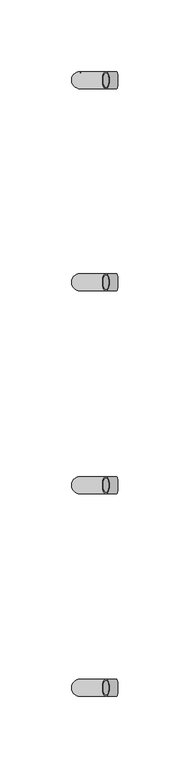
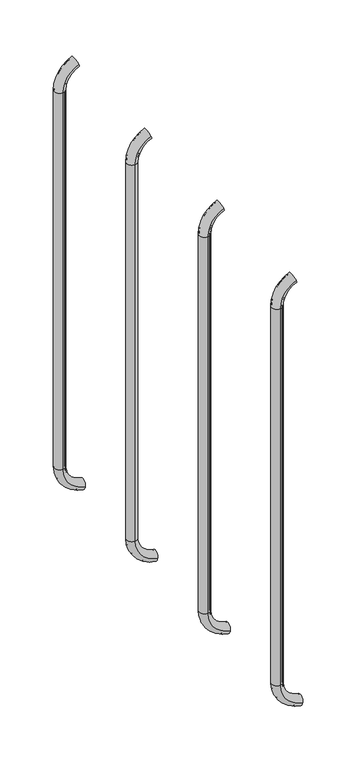
"""IFC4 building model written with IfcOpenShell, lengths in millimetres: beam geometry."""

from ifc_helpers import new_model, si_unit, point, frame, origin, place, context, project, spatial, polyline, circle_curve, ellipse_curve, trimmed, source, transform, mapped, element, save
from ifc_brep_helpers import plane_surface, cylinder_surface, revolved_surface, advanced_brep


def beam_fa1bee13(model_context):
    return source(origin(), model_context, "Body", "AdvancedBrep", [
        advanced_brep(
        [(1262.5106051, 2408.5765736, 1917.1908893), (1262.5106051, 2396.5765736, 1917.1908893), (1262.5106051, 2407.5765736, 1917.1908893), (1262.5106051, 2397.5765736, 1917.1908893), (1244.4339882, 2397.5765736, 1889.6621238), (1244.4339882, 2407.5765736, 1889.6621238), (1244.4339882, 2396.5765736, 1889.6621238), (1244.4339882, 2408.5765736, 1889.6621238), (1244.4339882, 2407.5765736, 1440.7084898), (1244.4339882, 2397.5765736, 1440.7084898), (1244.4339882, 2408.5765736, 1440.7084898), (1244.4339882, 2396.5765736, 1440.7084898), (1270.0535643, 2408.5765736, 1411.0300146), (1270.0535643, 2396.5765736, 1411.0300146), (1270.0535643, 2407.5765736, 1411.0300146), (1270.0535643, 2397.5765736, 1411.0300146)],
        [
            (0, 1, circle_curve(frame((1262.5106051, 2402.5765736, 1917.1908893), z_axis=(0.9176255197351176, 0.0, 0.3974461039321624), x_axis=(0.0, -1.0, 0.0)), 6.0)),
            (1, 0, circle_curve(frame((1262.5106051, 2402.5765736, 1917.1908893), z_axis=(0.9176255197351176, 0.0, 0.3974461039321624), x_axis=(0.0, -1.0, 0.0)), 6.0)),
            (2, 3, circle_curve(frame((1262.5106051, 2402.5765736, 1917.1908893), z_axis=(-0.9176255197351176, 0.0, -0.3974461039321624), x_axis=(0.0, -1.0, 0.0)), 5.0)),
            (3, 2, circle_curve(frame((1262.5106051, 2402.5765736, 1917.1908893), z_axis=(-0.9176255197351176, 0.0, -0.3974461039321624), x_axis=(0.0, -1.0, 0.0)), 5.0)),
            (4, 3, circle_curve(frame((1274.4339882, 2397.5765736, 1889.6621238), z_axis=(0.0, 1.0, 0.0), x_axis=(-0.3974461039321624, 0.0, 0.9176255197351176)), 30.0)),
            (2, 5, circle_curve(frame((1274.4339882, 2407.5765736, 1889.6621238), z_axis=(0.0, -1.0, 0.0), x_axis=(-0.3974461039321624, 0.0, 0.9176255197351176)), 30.0)),
            (5, 4, circle_curve(frame((1244.4339882, 2402.5765736, 1889.6621238), z_axis=(0.0, 0.0, -1.0), x_axis=(0.0, -1.0, 0.0)), 5.0)),
            (4, 5, circle_curve(frame((1244.4339882, 2402.5765736, 1889.6621238), z_axis=(0.0, 0.0, -1.0), x_axis=(0.0, -1.0, 0.0)), 5.0)),
            (6, 1, circle_curve(frame((1274.4339882, 2396.5765736, 1889.6621238), z_axis=(0.0, 1.0, 0.0), x_axis=(-0.3974461039321624, 0.0, 0.9176255197351176)), 30.0)),
            (0, 7, circle_curve(frame((1274.4339882, 2408.5765736, 1889.6621238), z_axis=(0.0, -1.0, 0.0), x_axis=(-0.3974461039321624, 0.0, 0.9176255197351176)), 30.0)),
            (7, 6, circle_curve(frame((1244.4339882, 2402.5765736, 1889.6621238), z_axis=(0.0, 0.0, 1.0), x_axis=(0.0, -1.0, 0.0)), 6.0)),
            (6, 7, circle_curve(frame((1244.4339882, 2402.5765736, 1889.6621238), z_axis=(0.0, 0.0, 1.0), x_axis=(0.0, -1.0, 0.0)), 6.0)),
            (5, 8),
            (8, 9, circle_curve(frame((1244.4339882, 2402.5765736, 1440.7084898), z_axis=(0.0, 0.0, -1.0), x_axis=(0.0, -1.0, 0.0)), 5.0)),
            (9, 4),
            (9, 8, circle_curve(frame((1244.4339882, 2402.5765736, 1440.7084898), z_axis=(0.0, 0.0, -1.0), x_axis=(0.0, -1.0, 0.0)), 5.0)),
            (7, 10),
            (10, 11, circle_curve(frame((1244.4339882, 2402.5765736, 1440.7084898), z_axis=(0.0, 0.0, 1.0), x_axis=(0.0, -1.0, 0.0)), 6.0)),
            (11, 6),
            (11, 10, circle_curve(frame((1244.4339882, 2402.5765736, 1440.7084898), z_axis=(0.0, 0.0, 1.0), x_axis=(0.0, -1.0, 0.0)), 6.0)),
            (12, 13, circle_curve(frame((1270.0535643, 2402.5765736, 1411.0300146), z_axis=(0.9892825047438852, 0.0, -0.14601412879466394), x_axis=(0.0, -1.0, 0.0)), 6.0)),
            (13, 12, circle_curve(frame((1270.0535643, 2402.5765736, 1411.0300146), z_axis=(0.9892825047438852, 0.0, -0.14601412879466394), x_axis=(0.0, -1.0, 0.0)), 6.0)),
            (14, 15, circle_curve(frame((1270.0535643, 2402.5765736, 1411.0300146), z_axis=(-0.9892825047438852, 0.0, 0.14601412879466394), x_axis=(0.0, -1.0, 0.0)), 5.0)),
            (15, 14, circle_curve(frame((1270.0535643, 2402.5765736, 1411.0300146), z_axis=(-0.9892825047438852, 0.0, 0.14601412879466394), x_axis=(0.0, -1.0, 0.0)), 5.0)),
            (15, 9, circle_curve(frame((1274.4339882, 2397.5765736, 1440.7084898), z_axis=(0.0, 1.0, 0.0), x_axis=(-1.0, 0.0, 0.0)), 30.0)),
            (8, 14, circle_curve(frame((1274.4339882, 2407.5765736, 1440.7084898), z_axis=(0.0, -1.0, 0.0), x_axis=(-1.0, 0.0, 0.0)), 30.0)),
            (13, 11, circle_curve(frame((1274.4339882, 2396.5765736, 1440.7084898), z_axis=(0.0, 1.0, 0.0), x_axis=(-1.0, 0.0, 0.0)), 30.0)),
            (10, 12, circle_curve(frame((1274.4339882, 2408.5765736, 1440.7084898), z_axis=(0.0, -1.0, 0.0), x_axis=(-1.0, 0.0, 0.0)), 30.0)),
        ],
        [
            plane_surface(frame((1262.5106051, 2402.5765736, 1917.1908893), z_axis=(0.9176255197351176, 0.0, 0.3974461039321624), x_axis=(0.0, -1.0, 0.0))),
            revolved_surface(trimmed(ellipse_curve(frame((1262.5106051, 2402.5765736, 1917.1908893), z_axis=(-0.9176255197351176, 0.0, -0.3974461039321624), x_axis=(0.0, -1.0, 0.0)), 5.0, 5.0), [point((1262.5106051, 2407.5765736, 1917.1908893))], [point((1262.5106051, 2397.5765736, 1917.1908893))], True, "CARTESIAN"), (1274.4339882, 2402.5765736, 1889.6621238), (0.0, -1.0, 0.0)),
            revolved_surface(trimmed(ellipse_curve(frame((1262.5106051, 2402.5765736, 1917.1908893), z_axis=(-0.9176255197351176, 0.0, -0.3974461039321624), x_axis=(0.0, -1.0, 0.0)), 5.0, 5.0), [point((1262.5106051, 2397.5765736, 1917.1908893))], [point((1262.5106051, 2407.5765736, 1917.1908893))], True, "CARTESIAN"), (1274.4339882, 2402.5765736, 1889.6621238), (0.0, -1.0, 0.0)),
            revolved_surface(trimmed(ellipse_curve(frame((1262.5106051, 2402.5765736, 1917.1908893), z_axis=(0.9176255197351176, 0.0, 0.3974461039321624), x_axis=(0.0, -1.0, 0.0)), 6.0, 6.0), [point((1262.5106051, 2408.5765736, 1917.1908893))], [point((1262.5106051, 2396.5765736, 1917.1908893))], True, "CARTESIAN"), (1274.4339882, 2402.5765736, 1889.6621238), (0.0, -1.0, 0.0)),
            revolved_surface(trimmed(ellipse_curve(frame((1262.5106051, 2402.5765736, 1917.1908893), z_axis=(0.9176255197351176, 0.0, 0.3974461039321624), x_axis=(0.0, -1.0, 0.0)), 6.0, 6.0), [point((1262.5106051, 2396.5765736, 1917.1908893))], [point((1262.5106051, 2408.5765736, 1917.1908893))], True, "CARTESIAN"), (1274.4339882, 2402.5765736, 1889.6621238), (0.0, -1.0, 0.0)),
            revolved_surface(polyline([(1244.4339882, 2397.5765736, 1440.7084898), (1244.4339882, 2397.5765736, 1889.6621238)]), (1244.4339882, 2402.5765736, 1889.6621238), (0.0, 0.0, -1.0)),
            cylinder_surface(frame((1244.4339882, 2402.5765736, 1889.6621238), z_axis=(0.0, 0.0, 1.0), x_axis=(0.0, -1.0, 0.0)), 6.0),
            plane_surface(frame((1270.0535643, 2402.5765736, 1411.0300146), z_axis=(0.9892825047438852, 0.0, -0.14601412879466397), x_axis=(0.0, -1.0, 0.0))),
            revolved_surface(trimmed(ellipse_curve(frame((1244.4339882, 2402.5765736, 1440.7084898), z_axis=(0.0, 0.0, -1.0), x_axis=(0.0, -1.0, 0.0)), 5.0, 5.0), [point((1244.4339882, 2407.5765736, 1440.7084898))], [point((1244.4339882, 2397.5765736, 1440.7084898))], True, "CARTESIAN"), (1274.4339882, 2402.5765736, 1440.7084898), (0.0, -1.0, 0.0)),
            revolved_surface(trimmed(ellipse_curve(frame((1244.4339882, 2402.5765736, 1440.7084898), z_axis=(0.0, 0.0, -1.0), x_axis=(0.0, -1.0, 0.0)), 5.0, 5.0), [point((1244.4339882, 2397.5765736, 1440.7084898))], [point((1244.4339882, 2407.5765736, 1440.7084898))], True, "CARTESIAN"), (1274.4339882, 2402.5765736, 1440.7084898), (0.0, -1.0, 0.0)),
            revolved_surface(trimmed(ellipse_curve(frame((1244.4339882, 2402.5765736, 1440.7084898), z_axis=(0.0, 0.0, 1.0), x_axis=(0.0, -1.0, 0.0)), 6.0, 6.0), [point((1244.4339882, 2408.5765736, 1440.7084898))], [point((1244.4339882, 2396.5765736, 1440.7084898))], True, "CARTESIAN"), (1274.4339882, 2402.5765736, 1440.7084898), (0.0, -1.0, 0.0)),
            revolved_surface(trimmed(ellipse_curve(frame((1244.4339882, 2402.5765736, 1440.7084898), z_axis=(0.0, 0.0, 1.0), x_axis=(0.0, -1.0, 0.0)), 6.0, 6.0), [point((1244.4339882, 2396.5765736, 1440.7084898))], [point((1244.4339882, 2408.5765736, 1440.7084898))], True, "CARTESIAN"), (1274.4339882, 2402.5765736, 1440.7084898), (0.0, -1.0, 0.0)),
        ],
        [
            (0, [[1, 2], [3, 4]]),
            (1, [[5, -3, 6, 7]]),
            (2, [[-6, -4, -5, 8]]),
            (3, [[9, -1, 10, 11]]),
            (4, [[-10, -2, -9, 12]]),
            (5, [[-7, 13, 14, 15]]),
            (5, [[-8, -15, 16, -13]]),
            (6, [[-11, 17, 18, 19]]),
            (6, [[-12, -19, 20, -17]]),
            (7, [[21, 22], [23, 24]]),
            (8, [[25, -14, 26, -24]]),
            (9, [[-26, -16, -25, -23]]),
            (10, [[27, -18, 28, -22]]),
            (11, [[-28, -20, -27, -21]]),
        ],
    ),
        advanced_brep(
        [(1262.5106051, 2550.1390736, 1917.1908893), (1262.5106051, 2538.1390736, 1917.1908893), (1262.5106051, 2549.1390736, 1917.1908893), (1262.5106051, 2539.1390736, 1917.1908893), (1244.4339882, 2539.1390736, 1889.6621238), (1244.4339882, 2549.1390736, 1889.6621238), (1244.4339882, 2538.1390736, 1889.6621238), (1244.4339882, 2550.1390736, 1889.6621238), (1244.4339882, 2549.1390736, 1440.7084898), (1244.4339882, 2539.1390736, 1440.7084898), (1244.4339882, 2550.1390736, 1440.7084898), (1244.4339882, 2538.1390736, 1440.7084898), (1270.0535643, 2550.1390736, 1411.0300146), (1270.0535643, 2538.1390736, 1411.0300146), (1270.0535643, 2549.1390736, 1411.0300146), (1270.0535643, 2539.1390736, 1411.0300146)],
        [
            (0, 1, circle_curve(frame((1262.5106051, 2544.1390736, 1917.1908893), z_axis=(0.9176255197351176, 0.0, 0.3974461039321624), x_axis=(0.0, -1.0, 0.0)), 6.0)),
            (1, 0, circle_curve(frame((1262.5106051, 2544.1390736, 1917.1908893), z_axis=(0.9176255197351176, 0.0, 0.3974461039321624), x_axis=(0.0, -1.0, 0.0)), 6.0)),
            (2, 3, circle_curve(frame((1262.5106051, 2544.1390736, 1917.1908893), z_axis=(-0.9176255197351176, 0.0, -0.3974461039321624), x_axis=(0.0, -1.0, 0.0)), 5.0)),
            (3, 2, circle_curve(frame((1262.5106051, 2544.1390736, 1917.1908893), z_axis=(-0.9176255197351176, 0.0, -0.3974461039321624), x_axis=(0.0, -1.0, 0.0)), 5.0)),
            (4, 3, circle_curve(frame((1274.4339882, 2539.1390736, 1889.6621238), z_axis=(0.0, 1.0, 0.0), x_axis=(-0.3974461039321624, 0.0, 0.9176255197351176)), 30.0)),
            (2, 5, circle_curve(frame((1274.4339882, 2549.1390736, 1889.6621238), z_axis=(0.0, -1.0, 0.0), x_axis=(-0.3974461039321624, 0.0, 0.9176255197351176)), 30.0)),
            (5, 4, circle_curve(frame((1244.4339882, 2544.1390736, 1889.6621238), z_axis=(0.0, 0.0, -1.0), x_axis=(0.0, -1.0, 0.0)), 5.0)),
            (4, 5, circle_curve(frame((1244.4339882, 2544.1390736, 1889.6621238), z_axis=(0.0, 0.0, -1.0), x_axis=(0.0, -1.0, 0.0)), 5.0)),
            (6, 1, circle_curve(frame((1274.4339882, 2538.1390736, 1889.6621238), z_axis=(0.0, 1.0, 0.0), x_axis=(-0.3974461039321624, 0.0, 0.9176255197351176)), 30.0)),
            (0, 7, circle_curve(frame((1274.4339882, 2550.1390736, 1889.6621238), z_axis=(0.0, -1.0, 0.0), x_axis=(-0.3974461039321624, 0.0, 0.9176255197351176)), 30.0)),
            (7, 6, circle_curve(frame((1244.4339882, 2544.1390736, 1889.6621238), z_axis=(0.0, 0.0, 1.0), x_axis=(0.0, -1.0, 0.0)), 6.0)),
            (6, 7, circle_curve(frame((1244.4339882, 2544.1390736, 1889.6621238), z_axis=(0.0, 0.0, 1.0), x_axis=(0.0, -1.0, 0.0)), 6.0)),
            (5, 8),
            (8, 9, circle_curve(frame((1244.4339882, 2544.1390736, 1440.7084898), z_axis=(0.0, 0.0, -1.0), x_axis=(0.0, -1.0, 0.0)), 5.0)),
            (9, 4),
            (9, 8, circle_curve(frame((1244.4339882, 2544.1390736, 1440.7084898), z_axis=(0.0, 0.0, -1.0), x_axis=(0.0, -1.0, 0.0)), 5.0)),
            (7, 10),
            (10, 11, circle_curve(frame((1244.4339882, 2544.1390736, 1440.7084898), z_axis=(0.0, 0.0, 1.0), x_axis=(0.0, -1.0, 0.0)), 6.0)),
            (11, 6),
            (11, 10, circle_curve(frame((1244.4339882, 2544.1390736, 1440.7084898), z_axis=(0.0, 0.0, 1.0), x_axis=(0.0, -1.0, 0.0)), 6.0)),
            (12, 13, circle_curve(frame((1270.0535643, 2544.1390736, 1411.0300146), z_axis=(0.9892825047438852, 0.0, -0.14601412879466394), x_axis=(0.0, -1.0, 0.0)), 6.0)),
            (13, 12, circle_curve(frame((1270.0535643, 2544.1390736, 1411.0300146), z_axis=(0.9892825047438852, 0.0, -0.14601412879466394), x_axis=(0.0, -1.0, 0.0)), 6.0)),
            (14, 15, circle_curve(frame((1270.0535643, 2544.1390736, 1411.0300146), z_axis=(-0.9892825047438852, 0.0, 0.14601412879466394), x_axis=(0.0, -1.0, 0.0)), 5.0)),
            (15, 14, circle_curve(frame((1270.0535643, 2544.1390736, 1411.0300146), z_axis=(-0.9892825047438852, 0.0, 0.14601412879466394), x_axis=(0.0, -1.0, 0.0)), 5.0)),
            (15, 9, circle_curve(frame((1274.4339882, 2539.1390736, 1440.7084898), z_axis=(0.0, 1.0, 0.0), x_axis=(-1.0, 0.0, 0.0)), 30.0)),
            (8, 14, circle_curve(frame((1274.4339882, 2549.1390736, 1440.7084898), z_axis=(0.0, -1.0, 0.0), x_axis=(-1.0, 0.0, 0.0)), 30.0)),
            (13, 11, circle_curve(frame((1274.4339882, 2538.1390736, 1440.7084898), z_axis=(0.0, 1.0, 0.0), x_axis=(-1.0, 0.0, 0.0)), 30.0)),
            (10, 12, circle_curve(frame((1274.4339882, 2550.1390736, 1440.7084898), z_axis=(0.0, -1.0, 0.0), x_axis=(-1.0, 0.0, 0.0)), 30.0)),
        ],
        [
            plane_surface(frame((1262.5106051, 2544.1390736, 1917.1908893), z_axis=(0.9176255197351176, 0.0, 0.3974461039321624), x_axis=(0.0, -1.0, 0.0))),
            revolved_surface(trimmed(ellipse_curve(frame((1262.5106051, 2544.1390736, 1917.1908893), z_axis=(-0.9176255197351176, 0.0, -0.3974461039321624), x_axis=(0.0, -1.0, 0.0)), 5.0, 5.0), [point((1262.5106051, 2549.1390736, 1917.1908893))], [point((1262.5106051, 2539.1390736, 1917.1908893))], True, "CARTESIAN"), (1274.4339882, 2544.1390736, 1889.6621238), (0.0, -1.0, 0.0)),
            revolved_surface(trimmed(ellipse_curve(frame((1262.5106051, 2544.1390736, 1917.1908893), z_axis=(-0.9176255197351176, 0.0, -0.3974461039321624), x_axis=(0.0, -1.0, 0.0)), 5.0, 5.0), [point((1262.5106051, 2539.1390736, 1917.1908893))], [point((1262.5106051, 2549.1390736, 1917.1908893))], True, "CARTESIAN"), (1274.4339882, 2544.1390736, 1889.6621238), (0.0, -1.0, 0.0)),
            revolved_surface(trimmed(ellipse_curve(frame((1262.5106051, 2544.1390736, 1917.1908893), z_axis=(0.9176255197351176, 0.0, 0.3974461039321624), x_axis=(0.0, -1.0, 0.0)), 6.0, 6.0), [point((1262.5106051, 2550.1390736, 1917.1908893))], [point((1262.5106051, 2538.1390736, 1917.1908893))], True, "CARTESIAN"), (1274.4339882, 2544.1390736, 1889.6621238), (0.0, -1.0, 0.0)),
            revolved_surface(trimmed(ellipse_curve(frame((1262.5106051, 2544.1390736, 1917.1908893), z_axis=(0.9176255197351176, 0.0, 0.3974461039321624), x_axis=(0.0, -1.0, 0.0)), 6.0, 6.0), [point((1262.5106051, 2538.1390736, 1917.1908893))], [point((1262.5106051, 2550.1390736, 1917.1908893))], True, "CARTESIAN"), (1274.4339882, 2544.1390736, 1889.6621238), (0.0, -1.0, 0.0)),
            revolved_surface(polyline([(1244.4339882, 2539.1390736, 1440.7084898), (1244.4339882, 2539.1390736, 1889.6621238)]), (1244.4339882, 2544.1390736, 1889.6621238), (0.0, 0.0, -1.0)),
            cylinder_surface(frame((1244.4339882, 2544.1390736, 1889.6621238), z_axis=(0.0, 0.0, 1.0), x_axis=(0.0, -1.0, 0.0)), 6.0),
            plane_surface(frame((1270.0535643, 2544.1390736, 1411.0300146), z_axis=(0.9892825047438852, 0.0, -0.14601412879466397), x_axis=(0.0, -1.0, 0.0))),
            revolved_surface(trimmed(ellipse_curve(frame((1244.4339882, 2544.1390736, 1440.7084898), z_axis=(0.0, 0.0, -1.0), x_axis=(0.0, -1.0, 0.0)), 5.0, 5.0), [point((1244.4339882, 2549.1390736, 1440.7084898))], [point((1244.4339882, 2539.1390736, 1440.7084898))], True, "CARTESIAN"), (1274.4339882, 2544.1390736, 1440.7084898), (0.0, -1.0, 0.0)),
            revolved_surface(trimmed(ellipse_curve(frame((1244.4339882, 2544.1390736, 1440.7084898), z_axis=(0.0, 0.0, -1.0), x_axis=(0.0, -1.0, 0.0)), 5.0, 5.0), [point((1244.4339882, 2539.1390736, 1440.7084898))], [point((1244.4339882, 2549.1390736, 1440.7084898))], True, "CARTESIAN"), (1274.4339882, 2544.1390736, 1440.7084898), (0.0, -1.0, 0.0)),
            revolved_surface(trimmed(ellipse_curve(frame((1244.4339882, 2544.1390736, 1440.7084898), z_axis=(0.0, 0.0, 1.0), x_axis=(0.0, -1.0, 0.0)), 6.0, 6.0), [point((1244.4339882, 2550.1390736, 1440.7084898))], [point((1244.4339882, 2538.1390736, 1440.7084898))], True, "CARTESIAN"), (1274.4339882, 2544.1390736, 1440.7084898), (0.0, -1.0, 0.0)),
            revolved_surface(trimmed(ellipse_curve(frame((1244.4339882, 2544.1390736, 1440.7084898), z_axis=(0.0, 0.0, 1.0), x_axis=(0.0, -1.0, 0.0)), 6.0, 6.0), [point((1244.4339882, 2538.1390736, 1440.7084898))], [point((1244.4339882, 2550.1390736, 1440.7084898))], True, "CARTESIAN"), (1274.4339882, 2544.1390736, 1440.7084898), (0.0, -1.0, 0.0)),
        ],
        [
            (0, [[1, 2], [3, 4]]),
            (1, [[5, -3, 6, 7]]),
            (2, [[-6, -4, -5, 8]]),
            (3, [[9, -1, 10, 11]]),
            (4, [[-10, -2, -9, 12]]),
            (5, [[-7, 13, 14, 15]]),
            (5, [[-8, -15, 16, -13]]),
            (6, [[-11, 17, 18, 19]]),
            (6, [[-12, -19, 20, -17]]),
            (7, [[21, 22], [23, 24]]),
            (8, [[25, -14, 26, -24]]),
            (9, [[-26, -16, -25, -23]]),
            (10, [[27, -18, 28, -22]]),
            (11, [[-28, -20, -27, -21]]),
        ],
    ),
        advanced_brep(
        [(1262.5106051, 2692.0140736, 1917.1908893), (1262.5106051, 2680.0140736, 1917.1908893), (1262.5106051, 2691.0140736, 1917.1908893), (1262.5106051, 2681.0140736, 1917.1908893), (1244.4339882, 2681.0140736, 1889.6621238), (1244.4339882, 2691.0140736, 1889.6621238), (1244.4339882, 2680.0140736, 1889.6621238), (1244.4339882, 2692.0140736, 1889.6621238), (1244.4339882, 2691.0140736, 1440.7084898), (1244.4339882, 2681.0140736, 1440.7084898), (1244.4339882, 2692.0140736, 1440.7084898), (1244.4339882, 2680.0140736, 1440.7084898), (1270.0535643, 2692.0140736, 1411.0300146), (1270.0535643, 2680.0140736, 1411.0300146), (1270.0535643, 2691.0140736, 1411.0300146), (1270.0535643, 2681.0140736, 1411.0300146)],
        [
            (0, 1, circle_curve(frame((1262.5106051, 2686.0140736, 1917.1908893), z_axis=(0.9176255197351176, 0.0, 0.3974461039321624), x_axis=(0.0, -1.0, 0.0)), 6.0)),
            (1, 0, circle_curve(frame((1262.5106051, 2686.0140736, 1917.1908893), z_axis=(0.9176255197351176, 0.0, 0.3974461039321624), x_axis=(0.0, -1.0, 0.0)), 6.0)),
            (2, 3, circle_curve(frame((1262.5106051, 2686.0140736, 1917.1908893), z_axis=(-0.9176255197351176, 0.0, -0.3974461039321624), x_axis=(0.0, -1.0, 0.0)), 5.0)),
            (3, 2, circle_curve(frame((1262.5106051, 2686.0140736, 1917.1908893), z_axis=(-0.9176255197351176, 0.0, -0.3974461039321624), x_axis=(0.0, -1.0, 0.0)), 5.0)),
            (4, 3, circle_curve(frame((1274.4339882, 2681.0140736, 1889.6621238), z_axis=(0.0, 1.0, 0.0), x_axis=(-0.3974461039321624, 0.0, 0.9176255197351176)), 30.0)),
            (2, 5, circle_curve(frame((1274.4339882, 2691.0140736, 1889.6621238), z_axis=(0.0, -1.0, 0.0), x_axis=(-0.3974461039321624, 0.0, 0.9176255197351176)), 30.0)),
            (5, 4, circle_curve(frame((1244.4339882, 2686.0140736, 1889.6621238), z_axis=(0.0, 0.0, -1.0), x_axis=(0.0, -1.0, 0.0)), 5.0)),
            (4, 5, circle_curve(frame((1244.4339882, 2686.0140736, 1889.6621238), z_axis=(0.0, 0.0, -1.0), x_axis=(0.0, -1.0, 0.0)), 5.0)),
            (6, 1, circle_curve(frame((1274.4339882, 2680.0140736, 1889.6621238), z_axis=(0.0, 1.0, 0.0), x_axis=(-0.3974461039321624, 0.0, 0.9176255197351176)), 30.0)),
            (0, 7, circle_curve(frame((1274.4339882, 2692.0140736, 1889.6621238), z_axis=(0.0, -1.0, 0.0), x_axis=(-0.3974461039321624, 0.0, 0.9176255197351176)), 30.0)),
            (7, 6, circle_curve(frame((1244.4339882, 2686.0140736, 1889.6621238), z_axis=(0.0, 0.0, 1.0), x_axis=(0.0, -1.0, 0.0)), 6.0)),
            (6, 7, circle_curve(frame((1244.4339882, 2686.0140736, 1889.6621238), z_axis=(0.0, 0.0, 1.0), x_axis=(0.0, -1.0, 0.0)), 6.0)),
            (5, 8),
            (8, 9, circle_curve(frame((1244.4339882, 2686.0140736, 1440.7084898), z_axis=(0.0, 0.0, -1.0), x_axis=(0.0, -1.0, 0.0)), 5.0)),
            (9, 4),
            (9, 8, circle_curve(frame((1244.4339882, 2686.0140736, 1440.7084898), z_axis=(0.0, 0.0, -1.0), x_axis=(0.0, -1.0, 0.0)), 5.0)),
            (7, 10),
            (10, 11, circle_curve(frame((1244.4339882, 2686.0140736, 1440.7084898), z_axis=(0.0, 0.0, 1.0), x_axis=(0.0, -1.0, 0.0)), 6.0)),
            (11, 6),
            (11, 10, circle_curve(frame((1244.4339882, 2686.0140736, 1440.7084898), z_axis=(0.0, 0.0, 1.0), x_axis=(0.0, -1.0, 0.0)), 6.0)),
            (12, 13, circle_curve(frame((1270.0535643, 2686.0140736, 1411.0300146), z_axis=(0.9892825047438852, 0.0, -0.14601412879466394), x_axis=(0.0, -1.0, 0.0)), 6.0)),
            (13, 12, circle_curve(frame((1270.0535643, 2686.0140736, 1411.0300146), z_axis=(0.9892825047438852, 0.0, -0.14601412879466394), x_axis=(0.0, -1.0, 0.0)), 6.0)),
            (14, 15, circle_curve(frame((1270.0535643, 2686.0140736, 1411.0300146), z_axis=(-0.9892825047438852, 0.0, 0.14601412879466394), x_axis=(0.0, -1.0, 0.0)), 5.0)),
            (15, 14, circle_curve(frame((1270.0535643, 2686.0140736, 1411.0300146), z_axis=(-0.9892825047438852, 0.0, 0.14601412879466394), x_axis=(0.0, -1.0, 0.0)), 5.0)),
            (15, 9, circle_curve(frame((1274.4339882, 2681.0140736, 1440.7084898), z_axis=(0.0, 1.0, 0.0), x_axis=(-1.0, 0.0, 0.0)), 30.0)),
            (8, 14, circle_curve(frame((1274.4339882, 2691.0140736, 1440.7084898), z_axis=(0.0, -1.0, 0.0), x_axis=(-1.0, 0.0, 0.0)), 30.0)),
            (13, 11, circle_curve(frame((1274.4339882, 2680.0140736, 1440.7084898), z_axis=(0.0, 1.0, 0.0), x_axis=(-1.0, 0.0, 0.0)), 30.0)),
            (10, 12, circle_curve(frame((1274.4339882, 2692.0140736, 1440.7084898), z_axis=(0.0, -1.0, 0.0), x_axis=(-1.0, 0.0, 0.0)), 30.0)),
        ],
        [
            plane_surface(frame((1262.5106051, 2686.0140736, 1917.1908893), z_axis=(0.9176255197351176, 0.0, 0.3974461039321624), x_axis=(0.0, -1.0, 0.0))),
            revolved_surface(trimmed(ellipse_curve(frame((1262.5106051, 2686.0140736, 1917.1908893), z_axis=(-0.9176255197351176, 0.0, -0.3974461039321624), x_axis=(0.0, -1.0, 0.0)), 5.0, 5.0), [point((1262.5106051, 2691.0140736, 1917.1908893))], [point((1262.5106051, 2681.0140736, 1917.1908893))], True, "CARTESIAN"), (1274.4339882, 2686.0140736, 1889.6621238), (0.0, -1.0, 0.0)),
            revolved_surface(trimmed(ellipse_curve(frame((1262.5106051, 2686.0140736, 1917.1908893), z_axis=(-0.9176255197351176, 0.0, -0.3974461039321624), x_axis=(0.0, -1.0, 0.0)), 5.0, 5.0), [point((1262.5106051, 2681.0140736, 1917.1908893))], [point((1262.5106051, 2691.0140736, 1917.1908893))], True, "CARTESIAN"), (1274.4339882, 2686.0140736, 1889.6621238), (0.0, -1.0, 0.0)),
            revolved_surface(trimmed(ellipse_curve(frame((1262.5106051, 2686.0140736, 1917.1908893), z_axis=(0.9176255197351176, 0.0, 0.3974461039321624), x_axis=(0.0, -1.0, 0.0)), 6.0, 6.0), [point((1262.5106051, 2692.0140736, 1917.1908893))], [point((1262.5106051, 2680.0140736, 1917.1908893))], True, "CARTESIAN"), (1274.4339882, 2686.0140736, 1889.6621238), (0.0, -1.0, 0.0)),
            revolved_surface(trimmed(ellipse_curve(frame((1262.5106051, 2686.0140736, 1917.1908893), z_axis=(0.9176255197351176, 0.0, 0.3974461039321624), x_axis=(0.0, -1.0, 0.0)), 6.0, 6.0), [point((1262.5106051, 2680.0140736, 1917.1908893))], [point((1262.5106051, 2692.0140736, 1917.1908893))], True, "CARTESIAN"), (1274.4339882, 2686.0140736, 1889.6621238), (0.0, -1.0, 0.0)),
            revolved_surface(polyline([(1244.4339882, 2681.0140736, 1440.7084898), (1244.4339882, 2681.0140736, 1889.6621238)]), (1244.4339882, 2686.0140736, 1889.6621238), (0.0, 0.0, -1.0)),
            cylinder_surface(frame((1244.4339882, 2686.0140736, 1889.6621238), z_axis=(0.0, 0.0, 1.0), x_axis=(0.0, -1.0, 0.0)), 6.0),
            plane_surface(frame((1270.0535643, 2686.0140736, 1411.0300146), z_axis=(0.9892825047438852, 0.0, -0.14601412879466397), x_axis=(0.0, -1.0, 0.0))),
            revolved_surface(trimmed(ellipse_curve(frame((1244.4339882, 2686.0140736, 1440.7084898), z_axis=(0.0, 0.0, -1.0), x_axis=(0.0, -1.0, 0.0)), 5.0, 5.0), [point((1244.4339882, 2691.0140736, 1440.7084898))], [point((1244.4339882, 2681.0140736, 1440.7084898))], True, "CARTESIAN"), (1274.4339882, 2686.0140736, 1440.7084898), (0.0, -1.0, 0.0)),
            revolved_surface(trimmed(ellipse_curve(frame((1244.4339882, 2686.0140736, 1440.7084898), z_axis=(0.0, 0.0, -1.0), x_axis=(0.0, -1.0, 0.0)), 5.0, 5.0), [point((1244.4339882, 2681.0140736, 1440.7084898))], [point((1244.4339882, 2691.0140736, 1440.7084898))], True, "CARTESIAN"), (1274.4339882, 2686.0140736, 1440.7084898), (0.0, -1.0, 0.0)),
            revolved_surface(trimmed(ellipse_curve(frame((1244.4339882, 2686.0140736, 1440.7084898), z_axis=(0.0, 0.0, 1.0), x_axis=(0.0, -1.0, 0.0)), 6.0, 6.0), [point((1244.4339882, 2692.0140736, 1440.7084898))], [point((1244.4339882, 2680.0140736, 1440.7084898))], True, "CARTESIAN"), (1274.4339882, 2686.0140736, 1440.7084898), (0.0, -1.0, 0.0)),
            revolved_surface(trimmed(ellipse_curve(frame((1244.4339882, 2686.0140736, 1440.7084898), z_axis=(0.0, 0.0, 1.0), x_axis=(0.0, -1.0, 0.0)), 6.0, 6.0), [point((1244.4339882, 2680.0140736, 1440.7084898))], [point((1244.4339882, 2692.0140736, 1440.7084898))], True, "CARTESIAN"), (1274.4339882, 2686.0140736, 1440.7084898), (0.0, -1.0, 0.0)),
        ],
        [
            (0, [[1, 2], [3, 4]]),
            (1, [[5, -3, 6, 7]]),
            (2, [[-6, -4, -5, 8]]),
            (3, [[9, -1, 10, 11]]),
            (4, [[-10, -2, -9, 12]]),
            (5, [[-7, 13, 14, 15]]),
            (5, [[-8, -15, 16, -13]]),
            (6, [[-11, 17, 18, 19]]),
            (6, [[-12, -19, 20, -17]]),
            (7, [[21, 22], [23, 24]]),
            (8, [[25, -14, 26, -24]]),
            (9, [[-26, -16, -25, -23]]),
            (10, [[27, -18, 28, -22]]),
            (11, [[-28, -20, -27, -21]]),
        ],
    ),
        advanced_brep(
        [(1262.5106051, 2833.2640736, 1917.1908893), (1262.5106051, 2821.2640736, 1917.1908893), (1262.5106051, 2832.2640736, 1917.1908893), (1262.5106051, 2822.2640736, 1917.1908893), (1244.4339882, 2822.2640736, 1889.6621238), (1244.4339882, 2832.2640736, 1889.6621238), (1244.4339882, 2821.2640736, 1889.6621238), (1244.4339882, 2833.2640736, 1889.6621238), (1244.4339882, 2832.2640736, 1440.7084898), (1244.4339882, 2822.2640736, 1440.7084898), (1244.4339882, 2833.2640736, 1440.7084898), (1244.4339882, 2821.2640736, 1440.7084898), (1270.0535643, 2833.2640736, 1411.0300146), (1270.0535643, 2821.2640736, 1411.0300146), (1270.0535643, 2832.2640736, 1411.0300146), (1270.0535643, 2822.2640736, 1411.0300146)],
        [
            (0, 1, circle_curve(frame((1262.5106051, 2827.2640736, 1917.1908893), z_axis=(0.9176255197351176, 0.0, 0.3974461039321624), x_axis=(0.0, -1.0, 0.0)), 6.0)),
            (1, 0, circle_curve(frame((1262.5106051, 2827.2640736, 1917.1908893), z_axis=(0.9176255197351176, 0.0, 0.3974461039321624), x_axis=(0.0, -1.0, 0.0)), 6.0)),
            (2, 3, circle_curve(frame((1262.5106051, 2827.2640736, 1917.1908893), z_axis=(-0.9176255197351176, 0.0, -0.3974461039321624), x_axis=(0.0, -1.0, 0.0)), 5.0)),
            (3, 2, circle_curve(frame((1262.5106051, 2827.2640736, 1917.1908893), z_axis=(-0.9176255197351176, 0.0, -0.3974461039321624), x_axis=(0.0, -1.0, 0.0)), 5.0)),
            (4, 3, circle_curve(frame((1274.4339882, 2822.2640736, 1889.6621238), z_axis=(0.0, 1.0, 0.0), x_axis=(-0.3974461039321624, 0.0, 0.9176255197351176)), 30.0)),
            (2, 5, circle_curve(frame((1274.4339882, 2832.2640736, 1889.6621238), z_axis=(0.0, -1.0, 0.0), x_axis=(-0.3974461039321624, 0.0, 0.9176255197351176)), 30.0)),
            (5, 4, circle_curve(frame((1244.4339882, 2827.2640736, 1889.6621238), z_axis=(0.0, 0.0, -1.0), x_axis=(0.0, -1.0, 0.0)), 5.0)),
            (4, 5, circle_curve(frame((1244.4339882, 2827.2640736, 1889.6621238), z_axis=(0.0, 0.0, -1.0), x_axis=(0.0, -1.0, 0.0)), 5.0)),
            (6, 1, circle_curve(frame((1274.4339882, 2821.2640736, 1889.6621238), z_axis=(0.0, 1.0, 0.0), x_axis=(-0.3974461039321624, 0.0, 0.9176255197351176)), 30.0)),
            (0, 7, circle_curve(frame((1274.4339882, 2833.2640736, 1889.6621238), z_axis=(0.0, -1.0, 0.0), x_axis=(-0.3974461039321624, 0.0, 0.9176255197351176)), 30.0)),
            (7, 6, circle_curve(frame((1244.4339882, 2827.2640736, 1889.6621238), z_axis=(0.0, 0.0, 1.0), x_axis=(0.0, -1.0, 0.0)), 6.0)),
            (6, 7, circle_curve(frame((1244.4339882, 2827.2640736, 1889.6621238), z_axis=(0.0, 0.0, 1.0), x_axis=(0.0, -1.0, 0.0)), 6.0)),
            (5, 8),
            (8, 9, circle_curve(frame((1244.4339882, 2827.2640736, 1440.7084898), z_axis=(0.0, 0.0, -1.0), x_axis=(0.0, -1.0, 0.0)), 5.0)),
            (9, 4),
            (9, 8, circle_curve(frame((1244.4339882, 2827.2640736, 1440.7084898), z_axis=(0.0, 0.0, -1.0), x_axis=(0.0, -1.0, 0.0)), 5.0)),
            (7, 10),
            (10, 11, circle_curve(frame((1244.4339882, 2827.2640736, 1440.7084898), z_axis=(0.0, 0.0, 1.0), x_axis=(0.0, -1.0, 0.0)), 6.0)),
            (11, 6),
            (11, 10, circle_curve(frame((1244.4339882, 2827.2640736, 1440.7084898), z_axis=(0.0, 0.0, 1.0), x_axis=(0.0, -1.0, 0.0)), 6.0)),
            (12, 13, circle_curve(frame((1270.0535643, 2827.2640736, 1411.0300146), z_axis=(0.9892825047438852, 0.0, -0.14601412879466394), x_axis=(0.0, -1.0, 0.0)), 6.0)),
            (13, 12, circle_curve(frame((1270.0535643, 2827.2640736, 1411.0300146), z_axis=(0.9892825047438852, 0.0, -0.14601412879466394), x_axis=(0.0, -1.0, 0.0)), 6.0)),
            (14, 15, circle_curve(frame((1270.0535643, 2827.2640736, 1411.0300146), z_axis=(-0.9892825047438852, 0.0, 0.14601412879466394), x_axis=(0.0, -1.0, 0.0)), 5.0)),
            (15, 14, circle_curve(frame((1270.0535643, 2827.2640736, 1411.0300146), z_axis=(-0.9892825047438852, 0.0, 0.14601412879466394), x_axis=(0.0, -1.0, 0.0)), 5.0)),
            (15, 9, circle_curve(frame((1274.4339882, 2822.2640736, 1440.7084898), z_axis=(0.0, 1.0, 0.0), x_axis=(-1.0, 0.0, 0.0)), 30.0)),
            (8, 14, circle_curve(frame((1274.4339882, 2832.2640736, 1440.7084898), z_axis=(0.0, -1.0, 0.0), x_axis=(-1.0, 0.0, 0.0)), 30.0)),
            (13, 11, circle_curve(frame((1274.4339882, 2821.2640736, 1440.7084898), z_axis=(0.0, 1.0, 0.0), x_axis=(-1.0, 0.0, 0.0)), 30.0)),
            (10, 12, circle_curve(frame((1274.4339882, 2833.2640736, 1440.7084898), z_axis=(0.0, -1.0, 0.0), x_axis=(-1.0, 0.0, 0.0)), 30.0)),
        ],
        [
            plane_surface(frame((1262.5106051, 2827.2640736, 1917.1908893), z_axis=(0.9176255197351176, 0.0, 0.3974461039321624), x_axis=(0.0, -1.0, 0.0))),
            revolved_surface(trimmed(ellipse_curve(frame((1262.5106051, 2827.2640736, 1917.1908893), z_axis=(-0.9176255197351176, 0.0, -0.3974461039321624), x_axis=(0.0, -1.0, 0.0)), 5.0, 5.0), [point((1262.5106051, 2832.2640736, 1917.1908893))], [point((1262.5106051, 2822.2640736, 1917.1908893))], True, "CARTESIAN"), (1274.4339882, 2827.2640736, 1889.6621238), (0.0, -1.0, 0.0)),
            revolved_surface(trimmed(ellipse_curve(frame((1262.5106051, 2827.2640736, 1917.1908893), z_axis=(-0.9176255197351176, 0.0, -0.3974461039321624), x_axis=(0.0, -1.0, 0.0)), 5.0, 5.0), [point((1262.5106051, 2822.2640736, 1917.1908893))], [point((1262.5106051, 2832.2640736, 1917.1908893))], True, "CARTESIAN"), (1274.4339882, 2827.2640736, 1889.6621238), (0.0, -1.0, 0.0)),
            revolved_surface(trimmed(ellipse_curve(frame((1262.5106051, 2827.2640736, 1917.1908893), z_axis=(0.9176255197351176, 0.0, 0.3974461039321624), x_axis=(0.0, -1.0, 0.0)), 6.0, 6.0), [point((1262.5106051, 2833.2640736, 1917.1908893))], [point((1262.5106051, 2821.2640736, 1917.1908893))], True, "CARTESIAN"), (1274.4339882, 2827.2640736, 1889.6621238), (0.0, -1.0, 0.0)),
            revolved_surface(trimmed(ellipse_curve(frame((1262.5106051, 2827.2640736, 1917.1908893), z_axis=(0.9176255197351176, 0.0, 0.3974461039321624), x_axis=(0.0, -1.0, 0.0)), 6.0, 6.0), [point((1262.5106051, 2821.2640736, 1917.1908893))], [point((1262.5106051, 2833.2640736, 1917.1908893))], True, "CARTESIAN"), (1274.4339882, 2827.2640736, 1889.6621238), (0.0, -1.0, 0.0)),
            revolved_surface(polyline([(1244.4339882, 2822.2640736, 1440.7084898), (1244.4339882, 2822.2640736, 1889.6621238)]), (1244.4339882, 2827.2640736, 1889.6621238), (0.0, 0.0, -1.0)),
            cylinder_surface(frame((1244.4339882, 2827.2640736, 1889.6621238), z_axis=(0.0, 0.0, 1.0), x_axis=(0.0, -1.0, 0.0)), 6.0),
            plane_surface(frame((1270.0535643, 2827.2640736, 1411.0300146), z_axis=(0.9892825047438852, 0.0, -0.14601412879466397), x_axis=(0.0, -1.0, 0.0))),
            revolved_surface(trimmed(ellipse_curve(frame((1244.4339882, 2827.2640736, 1440.7084898), z_axis=(0.0, 0.0, -1.0), x_axis=(0.0, -1.0, 0.0)), 5.0, 5.0), [point((1244.4339882, 2832.2640736, 1440.7084898))], [point((1244.4339882, 2822.2640736, 1440.7084898))], True, "CARTESIAN"), (1274.4339882, 2827.2640736, 1440.7084898), (0.0, -1.0, 0.0)),
            revolved_surface(trimmed(ellipse_curve(frame((1244.4339882, 2827.2640736, 1440.7084898), z_axis=(0.0, 0.0, -1.0), x_axis=(0.0, -1.0, 0.0)), 5.0, 5.0), [point((1244.4339882, 2822.2640736, 1440.7084898))], [point((1244.4339882, 2832.2640736, 1440.7084898))], True, "CARTESIAN"), (1274.4339882, 2827.2640736, 1440.7084898), (0.0, -1.0, 0.0)),
            revolved_surface(trimmed(ellipse_curve(frame((1244.4339882, 2827.2640736, 1440.7084898), z_axis=(0.0, 0.0, 1.0), x_axis=(0.0, -1.0, 0.0)), 6.0, 6.0), [point((1244.4339882, 2833.2640736, 1440.7084898))], [point((1244.4339882, 2821.2640736, 1440.7084898))], True, "CARTESIAN"), (1274.4339882, 2827.2640736, 1440.7084898), (0.0, -1.0, 0.0)),
            revolved_surface(trimmed(ellipse_curve(frame((1244.4339882, 2827.2640736, 1440.7084898), z_axis=(0.0, 0.0, 1.0), x_axis=(0.0, -1.0, 0.0)), 6.0, 6.0), [point((1244.4339882, 2821.2640736, 1440.7084898))], [point((1244.4339882, 2833.2640736, 1440.7084898))], True, "CARTESIAN"), (1274.4339882, 2827.2640736, 1440.7084898), (0.0, -1.0, 0.0)),
        ],
        [
            (0, [[1, 2], [3, 4]]),
            (1, [[5, -3, 6, 7]]),
            (2, [[-6, -4, -5, 8]]),
            (3, [[9, -1, 10, 11]]),
            (4, [[-10, -2, -9, 12]]),
            (5, [[-7, 13, 14, 15]]),
            (5, [[-8, -15, 16, -13]]),
            (6, [[-11, 17, 18, 19]]),
            (6, [[-12, -19, 20, -17]]),
            (7, [[21, 22], [23, 24]]),
            (8, [[25, -14, 26, -24]]),
            (9, [[-26, -16, -25, -23]]),
            (10, [[27, -18, 28, -22]]),
            (11, [[-28, -20, -27, -21]]),
        ],
    ),
    ])


if __name__ == "__main__":
    model = new_model("IFC4")
    model_context = context("Model", 3, world=origin())
    ifc_project = project(units=[si_unit("LENGTHUNIT", "METRE", prefix="MILLI")], contexts=[model_context])
    site = spatial("IfcSite", under=ifc_project)
    building = spatial("IfcBuilding", under=site)
    placement = place(None, origin())
    beam_shape = beam_fa1bee13(model_context)
    element("IfcBeam", 1, at=placement, inside=building, context=model_context, shape_type="MappedRepresentation", body=[
        mapped(beam_shape, transform((0.0, 0.0, 0.0), x_axis=(1.0, 0.0, 0.0), y_axis=(0.0, 1.0, 0.0), z_axis=(0.0, 0.0, 1.0))),
    ])
    save(model, "model.ifc")
